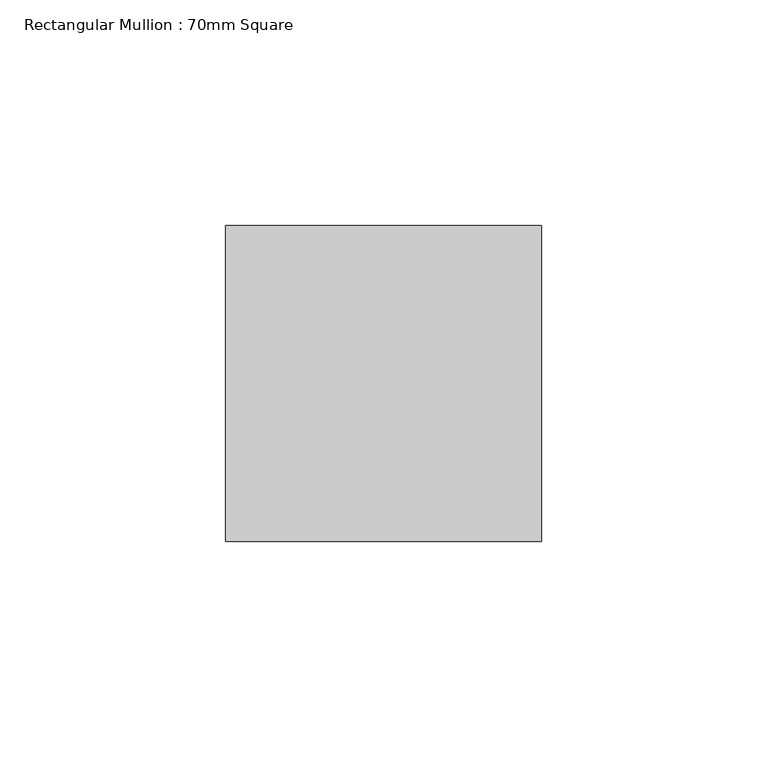
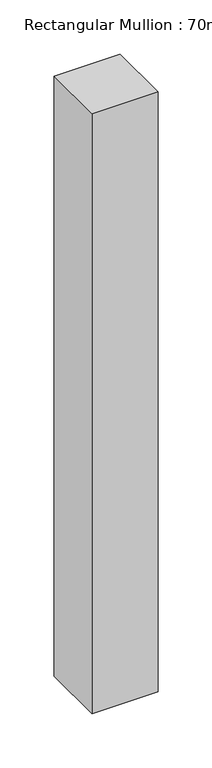
"""IFC4 building model written with IfcOpenShell, lengths in millimetres: member geometry, Rectangular Mullion : 70mm Square."""

import ifcopenshell
import ifcopenshell.guid

model = None  # the IFC model being written
_history = None  # IfcOwnerHistory: only IFC2X3 demands one
_inside = {}  # id of a spatial element -> (the spatial element, [elements in it])
_under = {}  # id of a project, library or spatial element -> (it, [spatial elements below it])
_declared = {}  # id of a project -> (the project, [libraries it declares])
_typed = {}  # id of a type object -> (the type object, [elements of that type])
_made_of = {}  # id of a material, layer set ... -> (it, [elements and type objects made of it])


def new_model(schema):
    """Start an empty IFC model of exactly this schema.

    Asked for "IFC4X3", IfcOpenShell would pick the latest addendum, in which some entities
    have other attributes; the version numbers below select the first issue.
    IFC2X3 requires an IfcOwnerHistory on every rooted entity: one is made here for all.
    """
    global model, _history
    if schema == "IFC4X3":
        model = ifcopenshell.file(schema_version=(4, 3, 0, 0))
    else:
        model = ifcopenshell.file(schema=schema)
    _inside.clear()
    _under.clear()
    _declared.clear()
    _typed.clear()
    _made_of.clear()
    _history = None
    if model.schema == "IFC2X3":
        org = make("IfcOrganization", Name="unknown")
        user = make(
            "IfcPersonAndOrganization",
            ThePerson=make("IfcPerson", FamilyName="unknown"),
            TheOrganization=org,
        )
        app = make(
            "IfcApplication",
            ApplicationDeveloper=org,
            Version="unknown",
            ApplicationFullName="unknown",
            ApplicationIdentifier="unknown",
        )
        _history = make(
            "IfcOwnerHistory",
            OwningUser=user,
            OwningApplication=app,
            ChangeAction="ADDED",
            CreationDate=0,
        )
    return model


def make(cls, **values):
    """One entity of the class cls with the attributes given. An attribute that is None is left unset."""
    return model.create_entity(
        cls, **{name: value for name, value in values.items() if value is not None}
    )


def rooted(cls, **values):
    """An entity with a GlobalId (a new one), such as an element, a storey or a relation."""
    return make(cls, GlobalId=ifcopenshell.guid.new(), OwnerHistory=_history, **values)


def si_unit(unit_type, name, prefix=None):
    """IfcSIUnit, for example si_unit("LENGTHUNIT", "METRE", prefix="MILLI")."""
    return make("IfcSIUnit", UnitType=unit_type, Prefix=prefix, Name=name)


def assignment(units):
    """IfcUnitAssignment: the units of a project."""
    return None if units is None else make("IfcUnitAssignment", Units=units)


def point(xyz):
    """IfcCartesianPoint."""
    return None if xyz is None else make("IfcCartesianPoint", Coordinates=xyz)


def direction(xyz):
    """IfcDirection."""
    return None if xyz is None else make("IfcDirection", DirectionRatios=xyz)


def frame(location, z_axis=None, x_axis=None):
    """IfcAxis2Placement3D, a coordinate frame: its origin and axes. An axis left out is left unset."""
    return make(
        "IfcAxis2Placement3D",
        Location=point(location),
        Axis=direction(z_axis),
        RefDirection=direction(x_axis),
    )


def origin():
    """The frame at (0, 0, 0) with its axes left unset."""
    return frame((0.0, 0.0, 0.0))


def place(relative_to, where):
    """IfcLocalPlacement: puts the frame where relative to a parent placement (None: the world)."""
    return make(
        "IfcLocalPlacement", PlacementRelTo=relative_to, RelativePlacement=where
    )


def context(
    kind, dimensions, precision=None, world=None, true_north=None, identifier=None
):
    """IfcGeometricRepresentationContext, for example the 3D "Model" context."""
    return make(
        "IfcGeometricRepresentationContext",
        ContextIdentifier=identifier,
        ContextType=kind,
        CoordinateSpaceDimension=dimensions,
        Precision=precision,
        WorldCoordinateSystem=world,
        TrueNorth=true_north,
    )


def project(units=None, contexts=None):
    """IfcProject with its units and contexts."""
    return rooted(
        "IfcProject",
        Name="project",
        RepresentationContexts=contexts,
        UnitsInContext=assignment(units),
    )


def spatial(cls, under=None, at=None, **own):
    """A site, building, storey or space (cls), placed at a placement, below another one or the project."""
    s = rooted(cls, ObjectPlacement=at, **own)
    if under is not None:
        _under.setdefault(under.id(), (under, []))[1].append(s)
    return s


def polyline(points):
    """IfcPolyline through the points."""
    return make("IfcPolyline", Points=[point(p) for p in points])


def outline(outer, holes=None, kind="AREA"):
    """IfcArbitraryClosedProfileDef: a profile drawn as a closed curve; with holes, ...WithVoids."""
    if holes is None:
        return make("IfcArbitraryClosedProfileDef", ProfileType=kind, OuterCurve=outer)
    return make(
        "IfcArbitraryProfileDefWithVoids",
        ProfileType=kind,
        OuterCurve=outer,
        InnerCurves=holes,
    )


def extrude(swept, where, along, depth):
    """IfcExtrudedAreaSolid: the profile swept, set in the frame where, extruded along a direction by depth."""
    return make(
        "IfcExtrudedAreaSolid",
        SweptArea=swept,
        Position=where,
        ExtrudedDirection=direction(along),
        Depth=depth,
    )


def shape(context_of_items, identifier, shape_type, items):
    """IfcShapeRepresentation: the items that make up one representation, for example the "Body"."""
    return make(
        "IfcShapeRepresentation",
        ContextOfItems=context_of_items,
        RepresentationIdentifier=identifier,
        RepresentationType=shape_type,
        Items=items,
    )


def source(mapping_origin, context_of_items, identifier, shape_type, items):
    """IfcRepresentationMap: a shape defined once, which mapped items show again and again."""
    return make(
        "IfcRepresentationMap",
        MappingOrigin=mapping_origin,
        MappedRepresentation=shape(context_of_items, identifier, shape_type, items),
    )


def transform(
    local_origin,
    x_axis=None,
    y_axis=None,
    z_axis=None,
    scale=None,
    scale2=None,
    scale3=None,
    uniform=True,
):
    """IfcCartesianTransformationOperator3D, or its non-uniform kind. x_axis, y_axis, z_axis: its Axis1, 2, 3."""
    if uniform:
        return make(
            "IfcCartesianTransformationOperator3D",
            Axis1=direction(x_axis),
            Axis2=direction(y_axis),
            LocalOrigin=point(local_origin),
            Scale=scale,
            Axis3=direction(z_axis),
        )
    return make(
        "IfcCartesianTransformationOperator3DnonUniform",
        Axis1=direction(x_axis),
        Axis2=direction(y_axis),
        LocalOrigin=point(local_origin),
        Scale=scale,
        Axis3=direction(z_axis),
        Scale2=scale2,
        Scale3=scale3,
    )


def mapped(mapping_source, mapping_target):
    """IfcMappedItem: shows the shape of a source again, moved by a transform."""
    return make(
        "IfcMappedItem", MappingSource=mapping_source, MappingTarget=mapping_target
    )


def made_of(thing, what):
    """Note that an element or type object is made of a material, layer set ...; save() writes the relation."""
    if what is not None:
        _made_of.setdefault(what.id(), (what, []))[1].append(thing)
    return thing


def element(
    cls,
    number,
    at=None,
    inside=None,
    cuts=None,
    type_object=None,
    material=None,
    context=None,
    identifier="Body",
    shape_type=None,
    held_by="IfcProductDefinitionShape",
    body=None,
    shapes=None,
    **own,
):
    """One element of the class cls, such as IfcWall. Its Tag is "e" and its number.

    at: its placement. inside: the storey or other place that contains it. cuts: it is an
    opening in that element (IfcRelVoidsElement). A single representation is given by context,
    identifier, shape_type and body (its items); several are given by shapes. held_by: the class
    of the entity that holds the representations. save() writes the other relations.
    """
    e = rooted(cls, Tag="e%d" % number, ObjectPlacement=at, **own)
    if body is not None:
        shapes = [shape(context, identifier, shape_type, body)]
    if shapes is not None:
        e.Representation = make(held_by, Representations=shapes)
    if inside is not None:
        _inside.setdefault(inside.id(), (inside, []))[1].append(e)
    if cuts is not None:
        rooted(
            "IfcRelVoidsElement", RelatingBuildingElement=cuts, RelatedOpeningElement=e
        )
    if type_object is not None:
        _typed.setdefault(type_object.id(), (type_object, []))[1].append(e)
    return made_of(e, material)


def aggregate(whole, parts):
    """IfcRelAggregates: a whole, such as a stair, and the parts it consists of."""
    return rooted("IfcRelAggregates", RelatingObject=whole, RelatedObjects=parts)


def save(model, path):
    """Write the relations noted so far, then the file.

    IfcRelAggregates (storeys below a building ...), IfcRelContainedInSpatialStructure (elements
    in a storey), IfcRelDefinesByType, IfcRelAssociatesMaterial and IfcRelDeclares: one each for
    every whole, place, type object, material and project.
    """
    for whole, parts in _under.values():
        aggregate(whole, parts)
    for where, things in _inside.values():
        rooted(
            "IfcRelContainedInSpatialStructure",
            RelatedElements=things,
            RelatingStructure=where,
        )
    for kind, things in _typed.values():
        rooted("IfcRelDefinesByType", RelatedObjects=things, RelatingType=kind)
    for what, things in _made_of.values():
        rooted("IfcRelAssociatesMaterial", RelatedObjects=things, RelatingMaterial=what)
    for by, libraries in _declared.values():
        rooted("IfcRelDeclares", RelatingContext=by, RelatedDefinitions=libraries)
    model.write(path)


def rectangular_mullion_70mm_square_9f42c571(model_context):
    return source(origin(), model_context, "Body", "SweptSolid", [
        extrude(outline(polyline([(0.0, 35.0), (0.0, -35.0), (-70.0, -35.0), (-70.0, 35.0), (0.0, 35.0)])), frame((0.0, 0.0, -675.0063409), z_axis=(0.0, 0.0, 1.0), x_axis=(1.0, 0.0, 0.0)), (0.0, 0.0, 1.0), 675.0063409),
    ])


if __name__ == "__main__":
    model = new_model("IFC4")
    model_context = context("Model", 3, world=origin())
    ifc_project = project(units=[si_unit("LENGTHUNIT", "METRE", prefix="MILLI")], contexts=[model_context])
    site = spatial("IfcSite", under=ifc_project)
    building = spatial("IfcBuilding", under=site)
    placement = place(None, origin())
    rectangular_mullion_70mm_square_shape = rectangular_mullion_70mm_square_9f42c571(model_context)
    element("IfcMember", 1, ObjectType="Rectangular Mullion : 70mm Square", at=placement, inside=building, context=model_context, shape_type="MappedRepresentation", body=[
        mapped(rectangular_mullion_70mm_square_shape, transform((0.0, 0.0, 0.0), x_axis=(1.0, 0.0, 0.0), y_axis=(0.0, 1.0, 0.0), z_axis=(0.0, 0.0, 1.0))),
    ])
    save(model, "model.ifc")
